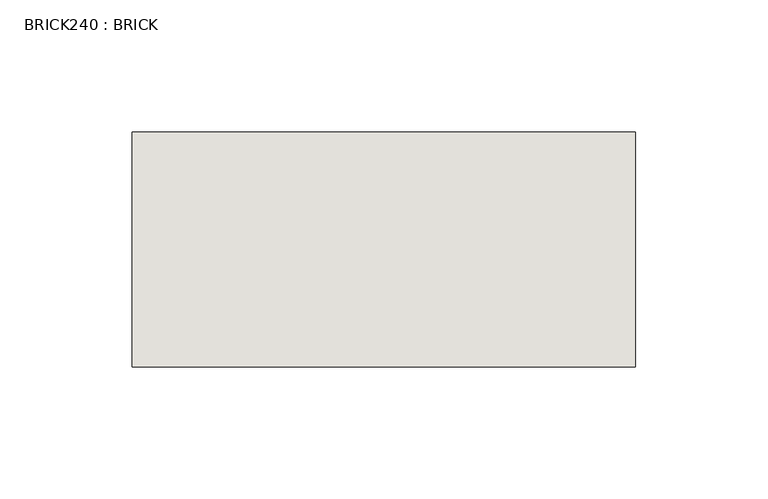
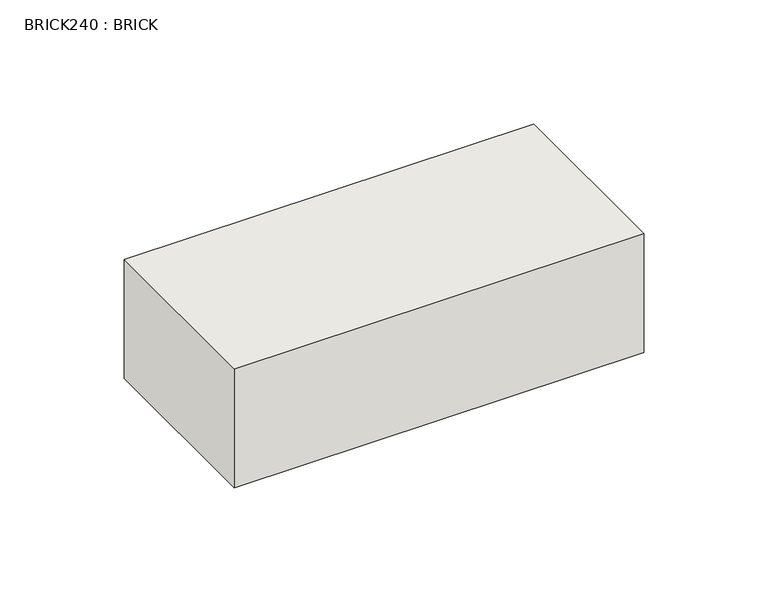
"""IFC4 building model written with IfcOpenShell, lengths in millimetres: wall geometry, BRICK240 : BRICK."""

from ifc_helpers import new_model, si_unit, frame, origin, place, context, project, spatial, polyline, outline, extrude, source, transform, mapped, element, save


def brick240_brick_16d71638(model_context):
    return source(origin(), model_context, "Body", "SweptSolid", [
        extrude(outline(polyline([(-1684.2574357, 3062.3923312), (-1493.7574357, 3062.3923312), (-1493.7574357, 2973.4923312), (-1684.2574357, 2973.4923312), (-1684.2574357, 3062.3923312)])), frame((0.0, 0.0, 423.2671875), z_axis=(0.0, 0.0, 1.0), x_axis=(1.0, 0.0, 0.0)), (0.0, 0.0, 1.0), 58.4398438),
    ])


if __name__ == "__main__":
    model = new_model("IFC4")
    model_context = context("Model", 3, world=origin())
    ifc_project = project(units=[si_unit("LENGTHUNIT", "METRE", prefix="MILLI")], contexts=[model_context])
    site = spatial("IfcSite", under=ifc_project)
    building = spatial("IfcBuilding", under=site)
    placement = place(None, origin())
    brick240_brick_shape = brick240_brick_16d71638(model_context)
    element("IfcWall", 1, ObjectType="BRICK240 : BRICK", at=placement, inside=building, context=model_context, shape_type="MappedRepresentation", body=[
        mapped(brick240_brick_shape, transform((0.0, 0.0, 0.0), x_axis=(1.0, 0.0, 0.0), y_axis=(0.0, 1.0, 0.0), z_axis=(0.0, 0.0, 1.0))),
    ])
    save(model, "model.ifc")
